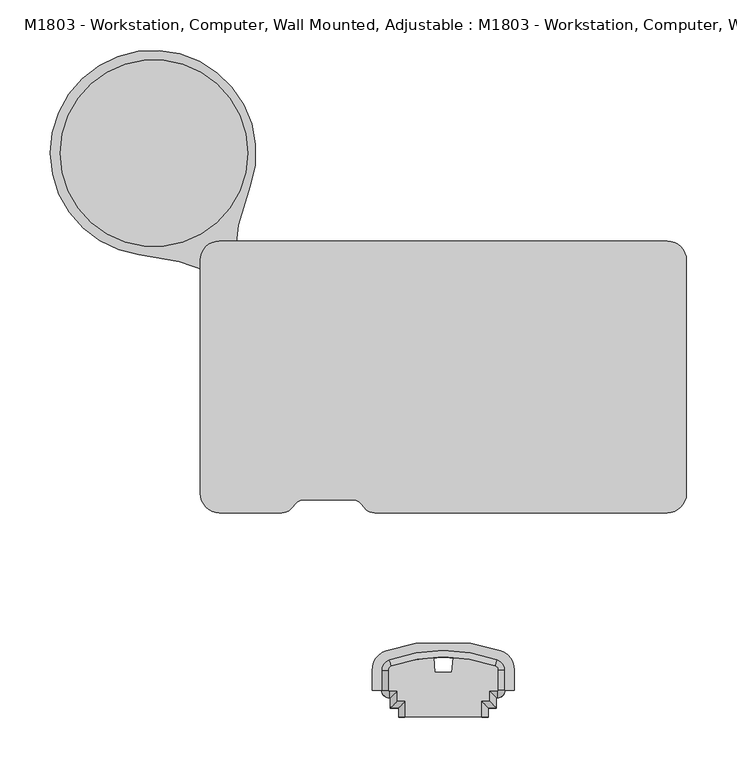
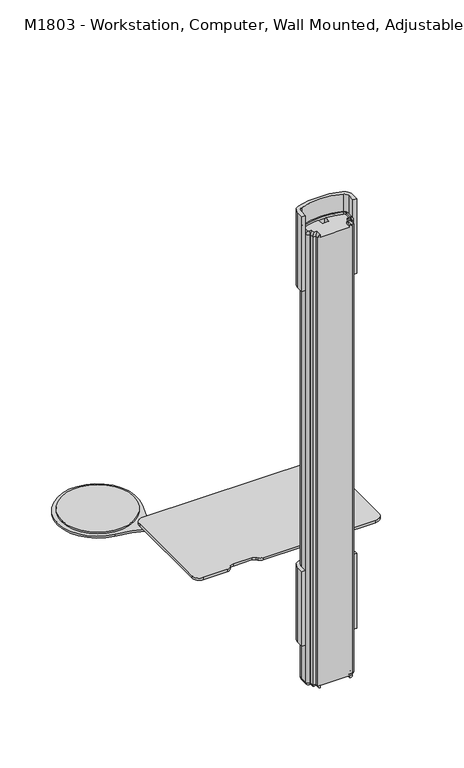
"""IFC4 building model written with IfcOpenShell, lengths in millimetres: proxy geometry, M1803 - Workstation, Computer, Wall Mounted, Adjustable : M1803 - Workstation, Computer, Wall Mounted, Adjustable."""

from ifc_helpers import new_model, si_unit, point, frame, frame_2d, origin, place, context, project, spatial, polyline, circle_curve, ellipse_curve, trimmed, segment, composite_curve, outline, extrude, source, transform, mapped, element, save
from ifc_brep_helpers import plane_surface, cylinder_surface, revolved_surface, advanced_brep


def m1803_workstation_computer_wall_mounted_adjustable_m1803_a1f7e397(model_context):
    return source(origin(), model_context, "Body", "SolidModel", [
        extrude(outline(composite_curve([segment(trimmed(circle_curve(frame_2d((-287.2195012, 622.177888)), 93.0177326), [point((-194.2017685, 622.177888))], [point((-380.2372338, 622.177888))], False, "CARTESIAN"), True, "CONTINUOUS"), segment(trimmed(circle_curve(frame_2d((-287.2195012, 622.177888)), 93.0177326), [point((-380.2372338, 622.177888))], [point((-194.2017685, 622.177888))], False, "CARTESIAN"), True, "CONTINUOUS")], self_intersect=False)), frame((0.0, 0.0, 834.3760164), z_axis=(0.0, 0.0, 1.0), x_axis=(1.0, 0.0, 0.0)), (0.0, 0.0, 1.0), 3.9493619),
        extrude(outline(composite_curve([segment(trimmed(circle_curve(frame_2d((-222.1881024, 515.8448436)), 15.0000298), [point((-207.1880726, 515.8448436))], [point((-237.1881322, 515.8448436))], False, "CARTESIAN"), True, "CONTINUOUS"), segment(trimmed(circle_curve(frame_2d((-222.1881024, 515.8448436)), 15.0000298), [point((-237.1881322, 515.8448436))], [point((-207.1880726, 515.8448436))], False, "CARTESIAN"), True, "CONTINUOUS")], self_intersect=False)), frame((0.0, 0.0, 834.3760164), z_axis=(0.0, 0.0, 1.0), x_axis=(1.0, 0.0, 0.0)), (0.0, 0.0, 1.0), 3.9493619),
        extrude(outline(composite_curve([segment(trimmed(circle_curve(frame_2d((-288.135143, 622.3958979)), 101.9666983), [point((-302.2106684, 521.405368))], [point((-191.4698241, 589.9455715))], False, "CARTESIAN"), True, "CONTINUOUS"), segment(trimmed(circle_curve(frame_2d((24.8108426, 502.8642952)), 233.1533304), [point((-191.4698241, 589.9455715))], [point((-208.221532, 510.3734813))], True, "CARTESIAN"), True, "CONTINUOUS"), segment(trimmed(circle_curve(frame_2d((-222.1881024, 515.8448436)), 15.0000298), [point((-208.221532, 510.3734813))], [point((-223.5211648, 500.9041662))], False, "CARTESIAN"), True, "CONTINUOUS"), segment(trimmed(circle_curve(frame_2d((-320.7471241, 288.9900602)), 233.1533304), [point((-223.5211648, 500.9041662))], [point((-302.2106684, 521.405368))], True, "CARTESIAN"), True, "CONTINUOUS")], self_intersect=False)), frame((0.0, 0.0, 829.3759946), z_axis=(0.0, 0.0, 1.0), x_axis=(1.0, 0.0, 0.0)), (0.0, 0.0, 1.0), 5.0000218),
        extrude(outline(composite_curve([segment(polyline([(222.3109287, 265.020328), (-68.2008446, 265.020328)]), True, "CONTINUOUS"), segment(trimmed(circle_curve(frame_2d((-68.2008446, 277.4875133)), 12.4671853), [point((-68.2008446, 265.020328))], [point((-78.2870094, 270.1594857))], False, "CARTESIAN"), True, "CONTINUOUS"), segment(polyline([(-78.2870094, 270.1594857), (-81.4034178, 273.8906525)]), True, "CONTINUOUS"), segment(trimmed(circle_curve(frame_2d((-90.4257962, 265.1778429)), 12.542582), [point((-81.4034178, 273.8906525))], [point((-90.4257962, 277.7204249))], True, "CARTESIAN"), True, "CONTINUOUS"), segment(polyline([(-90.4257962, 277.7204249), (-138.0507962, 277.7204249)]), True, "CONTINUOUS"), segment(trimmed(circle_curve(frame_2d((-138.0507962, 265.1778429)), 12.542582), [point((-138.0507962, 277.7204249))], [point((-147.0731746, 273.8906525))], True, "CARTESIAN"), True, "CONTINUOUS"), segment(polyline([(-147.0731746, 273.8906525), (-150.189583, 270.1594857)]), True, "CONTINUOUS"), segment(trimmed(circle_curve(frame_2d((-160.2757478, 277.4875133)), 12.4671853), [point((-150.189583, 270.1594857))], [point((-160.2757478, 265.020328))], False, "CARTESIAN"), True, "CONTINUOUS"), segment(polyline([(-160.2757478, 265.020328), (-222.1881024, 265.020328)]), True, "CONTINUOUS"), segment(trimmed(circle_curve(frame_2d((-222.1881024, 284.070328)), 19.05), [point((-222.1881024, 265.020328))], [point((-241.2381024, 284.070328))], False, "CARTESIAN"), True, "CONTINUOUS"), segment(polyline([(-241.2381024, 284.070328), (-241.2381024, 515.8448436)]), True, "CONTINUOUS"), segment(trimmed(circle_curve(frame_2d((-222.1881024, 515.8448436)), 19.05), [point((-241.2381024, 515.8448436))], [point((-222.1881024, 534.8948436))], False, "CARTESIAN"), True, "CONTINUOUS"), segment(polyline([(-222.1881024, 534.8948436), (222.3109287, 534.8948436)]), True, "CONTINUOUS"), segment(trimmed(circle_curve(frame_2d((222.3109287, 515.8448436)), 19.05), [point((222.3109287, 534.8948436))], [point((241.3609287, 515.8448436))], False, "CARTESIAN"), True, "CONTINUOUS"), segment(polyline([(241.3609287, 515.8448436), (241.3609287, 284.070328)]), True, "CONTINUOUS"), segment(trimmed(circle_curve(frame_2d((222.3109287, 284.070328)), 19.05), [point((241.3609287, 284.070328))], [point((222.3109287, 265.020328))], False, "CARTESIAN"), True, "CONTINUOUS")], self_intersect=False)), frame((0.0, 0.0, 838.3253784), z_axis=(0.0, 0.0, 1.0), x_axis=(1.0, 0.0, 0.0)), (0.0, 0.0, 1.0), 6.4005877),
        advanced_brep(
        [(38.1, 61.9125, 603.25), (44.45, 61.9125, 609.6), (38.1, 61.9125, 609.6), (38.1, 77.2411812, 603.25), (44.45, 70.8911812, 609.6), (52.5364107, 70.8911812, 609.6), (52.5364107, 81.0234047, 609.6), (53.7370305, 81.0234047, 609.6), (61.1222253, 88.4085995, 609.6), (61.1222253, 108.2851132, 609.6), (53.6811785, 118.7735872, 609.6), (-53.696373, 118.6957894, 609.6), (-61.1222253, 108.2126465, 609.6), (-61.1222253, 88.4085995, 609.6), (-53.7370305, 81.0234047, 609.6), (-52.5364107, 81.0234047, 609.6), (-52.5364107, 70.8911812, 609.6), (-44.45, 70.8911812, 609.6), (-44.45, 61.9125, 609.6), (-38.1, 61.9125, 609.6), (-38.1, 77.2411812, 609.6), (-46.1864107, 77.2411812, 609.6), (-46.1864107, 87.3734047, 609.6), (-53.7370305, 87.3734047, 609.6), (-54.7722253, 88.4085995, 609.6), (-54.7722253, 108.2126465, 609.6), (-51.5897172, 112.705422, 609.6), (51.5832052, 112.7801735, 609.6), (54.7722253, 108.2851132, 609.6), (54.7722253, 88.4085995, 609.6), (53.7370305, 87.3734047, 609.6), (46.1864107, 87.3734047, 609.6), (46.1864107, 77.2411812, 609.6), (38.1, 77.2411812, 609.6), (46.1864107, 77.2411812, 603.25), (46.1864107, 87.3734047, 603.25), (53.7370305, 87.3734047, 603.25), (54.7722253, 88.4085995, 603.25), (54.7722253, 108.2851132, 603.25), (51.5832052, 112.7801735, 603.25), (-51.5897172, 112.705422, 603.25), (-54.7722253, 108.2126465, 603.25), (-54.7722253, 88.4085995, 603.25), (-53.7370305, 87.3734047, 603.25), (-46.1864107, 87.3734047, 603.25), (-46.1864107, 77.2411812, 603.25), (-38.1, 77.2411812, 603.25), (-38.1, 61.9125, 603.25)],
        [
            (0, 1, circle_curve(frame((38.1, 61.9125, 609.6), z_axis=(0.0, -1.0, 0.0), x_axis=(-1.0, 0.0, 0.0)), 6.35)),
            (1, 2),
            (2, 0),
            (0, 3),
            (3, 4, ellipse_curve(frame((38.1, 77.2411812, 609.6), z_axis=(-0.7071067811865475, -0.7071067811865475, 0.0), x_axis=(0.7071067811865474, -0.7071067811865476, 0.0)), 8.9802561, 6.35)),
            (4, 1),
            (4, 5),
            (5, 6),
            (6, 7),
            (7, 8, circle_curve(frame((53.7370305, 88.4085995, 609.6), z_axis=(0.0, 0.0, 1.0), x_axis=(0.0, -1.0, 0.0)), 7.3851948)),
            (8, 9),
            (9, 10, circle_curve(frame((50.0097253, 108.2851132, 609.6), z_axis=(0.0, 0.0, 1.0), x_axis=(1.0, 0.0, 0.0)), 11.1125)),
            (10, 11, circle_curve(frame((0.1032701, -34.2858315, 609.6), z_axis=(0.0, 0.0, 1.0), x_axis=(0.33038949403978657, 0.9438446811992606, 0.0)), 162.1658963)),
            (11, 12, circle_curve(frame((-50.0097253, 108.2126465, 609.6), z_axis=(0.0, 0.0, 1.0), x_axis=(-0.33175682647524884, 0.943364938974876, 0.0)), 11.1125)),
            (12, 13),
            (13, 14, circle_curve(frame((-53.7370305, 88.4085995, 609.6), z_axis=(0.0, 0.0, 1.0), x_axis=(-1.0, 0.0, 0.0)), 7.3851948)),
            (14, 15),
            (15, 16),
            (16, 17),
            (17, 18),
            (18, 19),
            (19, 20),
            (20, 21),
            (21, 22),
            (22, 23),
            (23, 24, circle_curve(frame((-53.7370305, 88.4085995, 609.6), z_axis=(0.0, 0.0, -1.0), x_axis=(-1.0, 0.0, 0.0)), 1.0351948)),
            (24, 25),
            (25, 26, circle_curve(frame((-50.0097253, 108.2126465, 609.6), z_axis=(0.0, 0.0, -1.0), x_axis=(-0.33175682647524884, 0.943364938974876, 0.0)), 4.7625)),
            (26, 27, circle_curve(frame((0.1032701, -34.2858315, 609.6), z_axis=(0.0, 0.0, -1.0), x_axis=(0.33038949403978657, 0.9438446811992606, 0.0)), 155.8158963)),
            (27, 28, circle_curve(frame((50.0097253, 108.2851132, 609.6), z_axis=(0.0, 0.0, -1.0), x_axis=(1.0, 0.0, 0.0)), 4.7625)),
            (28, 29),
            (29, 30, circle_curve(frame((53.7370305, 88.4085995, 609.6), z_axis=(0.0, 0.0, -1.0), x_axis=(0.0, -1.0, 0.0)), 1.0351948)),
            (30, 31),
            (31, 32),
            (32, 33),
            (33, 2),
            (33, 3),
            (3, 34),
            (34, 5, ellipse_curve(frame((46.1864107, 77.2411812, 609.6), z_axis=(-0.7071067811865475, -0.7071067811865475, 0.0), x_axis=(-0.7071067811865477, 0.7071067811865474, 0.0)), 8.9802561, 6.35)),
            (32, 34),
            (34, 35),
            (35, 6, ellipse_curve(frame((46.1864107, 87.3734047, 609.6), z_axis=(-0.7071067811865475, -0.7071067811865475, 0.0), x_axis=(0.7071067811865474, -0.7071067811865476, 0.0)), 8.9802561, 6.35)),
            (31, 35),
            (35, 36),
            (36, 7, circle_curve(frame((53.7370305, 87.3734047, 609.6), z_axis=(-1.0, 0.0, 0.0), x_axis=(0.0, 1.0, 0.0)), 6.35)),
            (30, 36),
            (36, 37, circle_curve(frame((53.7370305, 88.4085995, 603.25), z_axis=(0.0, 0.0, 1.0), x_axis=(0.0, -1.0, 0.0)), 1.0351948)),
            (37, 8, circle_curve(frame((54.7722253, 88.4085995, 609.6), z_axis=(0.0, -1.0, 0.0), x_axis=(-1.0, 0.0, 0.0)), 6.35)),
            (29, 37),
            (37, 38),
            (38, 9, circle_curve(frame((54.7722253, 108.2851132, 609.6), z_axis=(0.0, -1.0, 0.0), x_axis=(-1.0, 0.0, 0.0)), 6.35)),
            (28, 38),
            (38, 39, circle_curve(frame((50.0097253, 108.2851132, 603.25), z_axis=(0.0, 0.0, 1.0), x_axis=(1.0, 0.0, 0.0)), 4.7625)),
            (39, 10, circle_curve(frame((51.5832052, 112.7801735, 609.6), z_axis=(0.9438446811992502, -0.33038949403981605, 0.0), x_axis=(-0.33038949403981605, -0.9438446811992502, 0.0)), 6.35)),
            (27, 39),
            (39, 40, circle_curve(frame((0.1032701, -34.2858315, 603.25), z_axis=(0.0, 0.0, 1.0), x_axis=(0.33038949403978657, 0.9438446811992606, 0.0)), 155.8158963)),
            (40, 11, circle_curve(frame((-51.5897172, 112.705422, 609.6), z_axis=(0.943364938974875, 0.33175682647525195, 0.0), x_axis=(0.33175682647525195, -0.943364938974875, 0.0)), 6.35)),
            (26, 40),
            (40, 41, circle_curve(frame((-50.0097253, 108.2126465, 603.25), z_axis=(0.0, 0.0, 1.0), x_axis=(-0.33175682647524884, 0.943364938974876, 0.0)), 4.7625)),
            (41, 12, circle_curve(frame((-54.7722253, 108.2126465, 609.6), z_axis=(0.0, 1.0, 0.0), x_axis=(1.0, 0.0, 0.0)), 6.35)),
            (25, 41),
            (41, 42),
            (42, 13, circle_curve(frame((-54.7722253, 88.4085995, 609.6), z_axis=(0.0, 1.0, 0.0), x_axis=(1.0, 0.0, 0.0)), 6.35)),
            (24, 42),
            (42, 43, circle_curve(frame((-53.7370305, 88.4085995, 603.25), z_axis=(0.0, 0.0, 1.0), x_axis=(-1.0, 0.0, 0.0)), 1.0351948)),
            (43, 14, circle_curve(frame((-53.7370305, 87.3734047, 609.6), z_axis=(-1.0, 0.0, 0.0), x_axis=(0.0, 1.0, 0.0)), 6.35)),
            (23, 43),
            (43, 44),
            (44, 15, ellipse_curve(frame((-46.1864107, 87.3734047, 609.6), z_axis=(-0.7071067811865477, 0.7071067811865474, 0.0), x_axis=(-0.7071067811865474, -0.7071067811865476, 0.0)), 8.9802561, 6.35)),
            (22, 44),
            (44, 45),
            (45, 16, ellipse_curve(frame((-46.1864107, 77.2411812, 609.6), z_axis=(-0.7071067811865477, 0.7071067811865474, 0.0), x_axis=(0.7071067811865474, 0.7071067811865477, 0.0)), 8.9802561, 6.35)),
            (21, 45),
            (45, 46),
            (46, 17, ellipse_curve(frame((-38.1, 77.2411812, 609.6), z_axis=(-0.7071067811865477, 0.7071067811865474, 0.0), x_axis=(-0.7071067811865474, -0.7071067811865476, 0.0)), 8.9802561, 6.35)),
            (20, 46),
            (47, 19),
            (18, 47, circle_curve(frame((-38.1, 61.9125, 609.6), z_axis=(0.0, -1.0, 0.0), x_axis=(1.0, 0.0, 0.0)), 6.35)),
            (46, 47),
        ],
        [
            plane_surface(frame((44.45, 61.9125, 609.6), z_axis=(0.0, -1.0, 0.0), x_axis=(0.0, 0.0, 1.0))),
            cylinder_surface(frame((38.1, 61.9125, 609.6), z_axis=(0.0, -1.0, 0.0), x_axis=(-1.0, 0.0, 0.0)), 6.35),
            plane_surface(frame((44.45, 61.9125, 609.6), z_axis=(0.0, 0.0, 1.0), x_axis=(0.0, 1.0, 0.0))),
            plane_surface(frame((38.1, 61.9125, 609.6), z_axis=(-1.0, 0.0, 0.0), x_axis=(0.0, 1.0, 0.0))),
            cylinder_surface(frame((44.45, 77.2411812, 609.6), z_axis=(-1.0, 0.0, 0.0), x_axis=(0.0, 1.0, 0.0)), 6.35),
            plane_surface(frame((38.1, 77.2411812, 609.6), z_axis=(0.0, 1.0, 0.0), x_axis=(1.0, 0.0, 0.0))),
            cylinder_surface(frame((46.1864107, 70.8911812, 609.6), z_axis=(0.0, -1.0, 0.0), x_axis=(-1.0, 0.0, 0.0)), 6.35),
            plane_surface(frame((46.1864107, 77.2411812, 609.6), z_axis=(-1.0, 0.0, 0.0), x_axis=(0.0, 1.0, 0.0))),
            cylinder_surface(frame((52.5364107, 87.3734047, 609.6), z_axis=(-1.0, 0.0, 0.0), x_axis=(0.0, 1.0, 0.0)), 6.35),
            plane_surface(frame((46.1864107, 87.3734047, 609.6), z_axis=(0.0, 1.0, 0.0), x_axis=(1.0, 0.0, 0.0))),
            revolved_surface(trimmed(ellipse_curve(frame((53.7370305, 87.3734047, 609.6), z_axis=(-1.0, 0.0, 0.0), x_axis=(0.0, 1.0, 0.0)), 6.35, 6.35), [point((53.7370305, 87.3734047, 603.25))], [point((53.7370305, 81.0234047, 609.6))], True, "CARTESIAN"), (53.7370305, 88.4085995, 609.6), (0.0, 0.0, 1.0)),
            revolved_surface(polyline([(53.7370305, 87.3734047, 609.6), (53.7370305, 87.3734047, 603.25)]), (53.7370305, 88.4085995, 609.6), (0.0, 0.0, 1.0)),
            cylinder_surface(frame((54.7722253, 88.4085995, 609.6), z_axis=(0.0, -1.0, 0.0), x_axis=(-1.0, 0.0, 0.0)), 6.35),
            plane_surface(frame((54.7722253, 88.4085995, 609.6), z_axis=(-1.0, 0.0, 0.0), x_axis=(0.0, 1.0, 0.0))),
            revolved_surface(trimmed(ellipse_curve(frame((54.7722253, 108.2851132, 609.6), z_axis=(0.0, -1.0, 0.0), x_axis=(-1.0, 0.0, 0.0)), 6.35, 6.35), [point((54.7722253, 108.2851132, 603.25))], [point((61.1222253, 108.2851132, 609.6))], True, "CARTESIAN"), (50.0097253, 108.2851132, 609.6), (0.0, 0.0, 1.0)),
            revolved_surface(polyline([(54.7722253, 108.2851132, 609.6), (54.7722253, 108.2851132, 603.25)]), (50.0097253, 108.2851132, 609.6), (0.0, 0.0, 1.0)),
            revolved_surface(trimmed(ellipse_curve(frame((51.5832052, 112.7801735, 609.6), z_axis=(0.9438446811992606, -0.33038949403978646, 0.0), x_axis=(-0.33038949403978646, -0.9438446811992606, 0.0)), 6.35, 6.35), [point((51.5832052, 112.7801735, 603.25))], [point((53.6811785, 118.7735872, 609.6))], True, "CARTESIAN"), (0.1032701, -34.2858315, 609.6), (0.0, 0.0, 1.0)),
            revolved_surface(polyline([(51.58320524191285, 112.78017346905054, 609.6), (51.58320524191285, 112.78017346905054, 603.25)]), (0.1032701, -34.2858315, 609.6), (0.0, 0.0, 1.0)),
            revolved_surface(trimmed(ellipse_curve(frame((-51.5897172, 112.705422, 609.6), z_axis=(0.9433649389748759, 0.3317568264752491, 0.0), x_axis=(0.3317568264752491, -0.9433649389748759, 0.0)), 6.35, 6.35), [point((-51.5897172, 112.705422, 603.25))], [point((-53.696373, 118.6957894, 609.6))], True, "CARTESIAN"), (-50.0097253, 108.2126465, 609.6), (0.0, 0.0, 1.0)),
            revolved_surface(polyline([(-51.58971718608837, 112.70542202186785, 609.6), (-51.58971718608837, 112.70542202186785, 603.25)]), (-50.0097253, 108.2126465, 609.6), (0.0, 0.0, 1.0)),
            cylinder_surface(frame((-54.7722253, 108.2126465, 609.6), z_axis=(0.0, 1.0, 0.0), x_axis=(1.0, 0.0, 0.0)), 6.35),
            plane_surface(frame((-54.7722253, 108.2126465, 609.6), z_axis=(1.0, 0.0, 0.0), x_axis=(0.0, -1.0, 0.0))),
            revolved_surface(trimmed(ellipse_curve(frame((-54.7722253, 88.4085995, 609.6), z_axis=(0.0, 1.0, 0.0), x_axis=(1.0, 0.0, 0.0)), 6.35, 6.35), [point((-54.7722253, 88.4085995, 603.25))], [point((-61.1222253, 88.4085995, 609.6))], True, "CARTESIAN"), (-53.7370305, 88.4085995, 609.6), (0.0, 0.0, 1.0)),
            revolved_surface(polyline([(-54.7722253, 88.4085995, 609.6), (-54.7722253, 88.4085995, 603.25)]), (-53.7370305, 88.4085995, 609.6), (0.0, 0.0, 1.0)),
            cylinder_surface(frame((-53.7370305, 87.3734047, 609.6), z_axis=(-1.0, 0.0, 0.0), x_axis=(0.0, 1.0, 0.0)), 6.35),
            plane_surface(frame((-53.7370305, 87.3734047, 609.6), z_axis=(0.0, 1.0, 0.0), x_axis=(1.0, 0.0, 0.0))),
            cylinder_surface(frame((-46.1864107, 81.0234047, 609.6), z_axis=(0.0, 1.0, 0.0), x_axis=(1.0, 0.0, 0.0)), 6.35),
            plane_surface(frame((-46.1864107, 87.3734047, 609.6), z_axis=(1.0, 0.0, 0.0), x_axis=(0.0, -1.0, 0.0))),
            cylinder_surface(frame((-52.5364107, 77.2411812, 609.6), z_axis=(-1.0, 0.0, 0.0), x_axis=(0.0, 1.0, 0.0)), 6.35),
            plane_surface(frame((-46.1864107, 77.2411812, 609.6), z_axis=(0.0, 1.0, 0.0), x_axis=(1.0, 0.0, 0.0))),
            plane_surface(frame((-44.45, 61.9125, 609.6), z_axis=(0.0, -1.0, 0.0), x_axis=(0.0, 0.0, 1.0))),
            cylinder_surface(frame((-38.1, 70.8911812, 609.6), z_axis=(0.0, 1.0, 0.0), x_axis=(1.0, 0.0, 0.0)), 6.35),
            plane_surface(frame((-38.1, 77.2411812, 609.6), z_axis=(1.0, 0.0, 0.0), x_axis=(0.0, -1.0, 0.0))),
        ],
        [
            (0, [[1, 2, 3]]),
            (1, [[-1, 4, 5, 6]]),
            (2, [[-2, -6, 7, 8, 9, 10, 11, 12, 13, 14, 15, 16, 17, 18, 19, 20, 21, 22, 23, 24, 25, 26, 27, 28, 29, 30, 31, 32, 33, 34, 35, 36]]),
            (3, [[-3, -36, 37, -4]]),
            (4, [[-5, 38, 39, -7]]),
            (5, [[-37, -35, 40, -38]]),
            (6, [[-39, 41, 42, -8]]),
            (7, [[-40, -34, 43, -41]]),
            (8, [[-42, 44, 45, -9]]),
            (9, [[-43, -33, 46, -44]]),
            (10, [[-10, -45, 47, 48]]),
            (11, [[-47, -46, -32, 49]]),
            (12, [[-48, 50, 51, -11]]),
            (13, [[-49, -31, 52, -50]]),
            (14, [[-12, -51, 53, 54]]),
            (15, [[-53, -52, -30, 55]]),
            (16, [[-13, -54, 56, 57]]),
            (17, [[-56, -55, -29, 58]]),
            (18, [[-14, -57, 59, 60]]),
            (19, [[-59, -58, -28, 61]]),
            (20, [[-60, 62, 63, -15]]),
            (21, [[-61, -27, 64, -62]]),
            (22, [[-16, -63, 65, 66]]),
            (23, [[-65, -64, -26, 67]]),
            (24, [[-66, 68, 69, -17]]),
            (25, [[-67, -25, 70, -68]]),
            (26, [[-69, 71, 72, -18]]),
            (27, [[-70, -24, 73, -71]]),
            (28, [[-72, 74, 75, -19]]),
            (29, [[-73, -23, 76, -74]]),
            (30, [[77, -21, 78]]),
            (31, [[-75, 79, -78, -20]]),
            (32, [[-76, -22, -77, -79]]),
        ],
    ),
        extrude(outline(composite_curve([segment(polyline([(-70.6472253, 88.4085995), (-70.6472253, 108.2126465)]), True, "CONTINUOUS"), segment(trimmed(circle_curve(frame_2d((-50.0097253, 108.2126465)), 20.6375), [point((-70.6472253, 108.2126465))], [point((-56.8563568, 127.6813404))], False, "CARTESIAN"), True, "CONTINUOUS"), segment(trimmed(circle_curve(frame_2d((0.1032701, -34.2858315)), 171.6908963), [point((-56.8563568, 127.6813404))], [point((-27.2851562, 135.2064632))], False, "CARTESIAN"), True, "CONTINUOUS"), segment(polyline([(-27.2851562, 135.2064632), (27.4916965, 135.2064632)]), True, "CONTINUOUS"), segment(trimmed(circle_curve(frame_2d((0.1032701, -34.2858315)), 171.6908963), [point((27.4916965, 135.2064632))], [point((56.8281385, 127.7637078))], False, "CARTESIAN"), True, "CONTINUOUS"), segment(trimmed(circle_curve(frame_2d((50.0097253, 108.2851132)), 20.6375), [point((56.8281385, 127.7637078))], [point((70.6472253, 108.2851132))], False, "CARTESIAN"), True, "CONTINUOUS"), segment(polyline([(70.6472253, 108.2851132), (70.6472253, 88.4085995), (61.1222253, 88.4085995), (61.1222253, 108.2851132)]), True, "CONTINUOUS"), segment(trimmed(circle_curve(frame_2d((50.0097253, 108.2851132)), 11.1125), [point((61.1222253, 108.2851132))], [point((53.6811785, 118.7735872))], True, "CARTESIAN"), True, "CONTINUOUS"), segment(trimmed(circle_curve(frame_2d((0.1032701, -34.2858315)), 162.1658963), [point((53.6811785, 118.7735872))], [point((-53.696373, 118.6957894))], True, "CARTESIAN"), True, "CONTINUOUS"), segment(trimmed(circle_curve(frame_2d((-50.0097253, 108.2126465)), 11.1125), [point((-53.696373, 118.6957894))], [point((-61.1222253, 108.2126465))], True, "CARTESIAN"), True, "CONTINUOUS"), segment(polyline([(-61.1222253, 108.2126465), (-61.1222253, 88.4085995), (-70.6472253, 88.4085995)]), True, "CONTINUOUS")], self_intersect=False)), frame((0.0, 0.0, 1676.4), z_axis=(0.0, 0.0, 1.0), x_axis=(1.0, 0.0, 0.0)), (0.0, 0.0, 1.0), 203.2),
        advanced_brep(
        [(8.4283191, 106.0797942, 1828.8), (-8.2217789, 106.0797942, 1828.8), (-9.5473305, 121.2309182, 1828.8), (-51.5897172, 112.705422, 1828.8), (-54.7722253, 108.2126465, 1828.8), (-54.7722253, 88.4085995, 1828.8), (-53.7370305, 87.3734047, 1828.8), (-46.1864107, 87.3734047, 1828.8), (-46.1864107, 77.2411812, 1828.8), (-38.1, 77.2411812, 1828.8), (-38.1, 61.9125, 1828.8), (38.1, 61.9125, 1828.8), (38.1, 77.2411812, 1828.8), (46.1864107, 77.2411812, 1828.8), (46.1864107, 87.3734047, 1828.8), (53.7370305, 87.3734047, 1828.8), (54.7722253, 88.4085995, 1828.8), (54.7722253, 108.2851132, 1828.8), (51.5832052, 112.7801735, 1828.8), (9.7538707, 121.2309182, 1828.8), (-44.45, 70.8911812, 609.6), (-52.5364107, 70.8911812, 609.6), (-52.5364107, 81.0234047, 609.6), (-53.7370305, 81.0234047, 609.6), (-61.1222253, 88.4085995, 609.6), (-61.1222253, 108.2126465, 609.6), (-53.696373, 118.6957894, 609.6), (-10.1009396, 127.5586989, 609.6), (-8.2217789, 106.0797942, 609.6), (8.4283191, 106.0797942, 609.6), (10.3074798, 127.5586989, 609.6), (53.6811785, 118.7735872, 609.6), (61.1222253, 108.2851132, 609.6), (61.1222253, 88.4085995, 609.6), (53.7370305, 81.0234047, 609.6), (52.5364107, 81.0234047, 609.6), (52.5364107, 70.8911812, 609.6), (44.45, 70.8911812, 609.6), (44.45, 61.9125, 609.6), (-44.45, 61.9125, 609.6), (-44.45, 70.8911812, 1828.8), (-44.45, 61.9125, 1828.8), (44.45, 70.8911812, 1828.8), (44.45, 61.9125, 1828.8), (52.5364107, 70.8911812, 1828.8), (52.5364107, 81.0234047, 1828.8), (53.7370305, 81.0234047, 1828.8), (61.1222253, 88.4085995, 1828.8), (61.1222253, 108.2851132, 1828.8), (53.6811785, 118.7735872, 1828.8), (10.3074798, 127.5586989, 1828.8), (-10.1009396, 127.5586989, 1828.8), (-53.696373, 118.6957894, 1828.8), (-61.1222253, 108.2126465, 1828.8), (-61.1222253, 88.4085995, 1828.8), (-53.7370305, 81.0234047, 1828.8), (-52.5364107, 81.0234047, 1828.8), (-52.5364107, 70.8911812, 1828.8), (38.1, 61.9125, 1835.15), (-38.1, 61.9125, 1835.15), (38.1, 77.2411812, 1835.15), (46.1864107, 77.2411812, 1835.15), (46.1864107, 87.3734047, 1835.15), (53.7370305, 87.3734047, 1835.15), (54.7722253, 88.4085995, 1835.15), (54.7722253, 108.2851132, 1835.15), (51.5832052, 112.7801735, 1835.15), (-51.5897172, 112.705422, 1835.15), (-54.7722253, 108.2126465, 1835.15), (-54.7722253, 88.4085995, 1835.15), (-53.7370305, 87.3734047, 1835.15), (-46.1864107, 87.3734047, 1835.15), (-46.1864107, 77.2411812, 1835.15), (-38.1, 77.2411812, 1835.15)],
        [
            (0, 1),
            (1, 2),
            (2, 3, circle_curve(frame((0.1032701, -34.2858315, 1828.8), z_axis=(0.0, 0.0, 1.0), x_axis=(0.33038949403978657, 0.9438446811992606, 0.0)), 155.8158963)),
            (3, 4, circle_curve(frame((-50.0097253, 108.2126465, 1828.8), z_axis=(0.0, 0.0, 1.0), x_axis=(-0.33175682647524884, 0.943364938974876, 0.0)), 4.7625)),
            (4, 5),
            (5, 6, circle_curve(frame((-53.7370305, 88.4085995, 1828.8), z_axis=(0.0, 0.0, 1.0), x_axis=(-1.0, 0.0, 0.0)), 1.0351948)),
            (6, 7),
            (7, 8),
            (8, 9),
            (9, 10),
            (10, 11),
            (11, 12),
            (12, 13),
            (13, 14),
            (14, 15),
            (15, 16, circle_curve(frame((53.7370305, 88.4085995, 1828.8), z_axis=(0.0, 0.0, 1.0), x_axis=(0.0, -1.0, 0.0)), 1.0351948)),
            (16, 17),
            (17, 18, circle_curve(frame((50.0097253, 108.2851132, 1828.8), z_axis=(0.0, 0.0, 1.0), x_axis=(1.0, 0.0, 0.0)), 4.7625)),
            (18, 19, circle_curve(frame((0.1032701, -34.2858315, 1828.8), z_axis=(0.0, 0.0, 1.0), x_axis=(0.33038949403978657, 0.9438446811992606, 0.0)), 155.8158963)),
            (19, 0),
            (20, 21),
            (21, 22),
            (22, 23),
            (23, 24, circle_curve(frame((-53.7370305, 88.4085995, 609.6), z_axis=(0.0, 0.0, -1.0), x_axis=(1.0, 0.0, 0.0)), 7.3851948)),
            (24, 25),
            (25, 26, circle_curve(frame((-50.0097253, 108.2126465, 609.6), z_axis=(0.0, 0.0, -1.0), x_axis=(1.0, 0.0, 0.0)), 11.1125)),
            (26, 27, circle_curve(frame((0.1032701, -34.2858315, 609.6), z_axis=(0.0, 0.0, -1.0), x_axis=(1.0, 0.0, 0.0)), 162.1658963)),
            (27, 28),
            (28, 29),
            (29, 30),
            (30, 31, circle_curve(frame((0.1032701, -34.2858315, 609.6), z_axis=(0.0, 0.0, -1.0), x_axis=(1.0, 0.0, 0.0)), 162.1658963)),
            (31, 32, circle_curve(frame((50.0097253, 108.2851132, 609.6), z_axis=(0.0, 0.0, -1.0), x_axis=(1.0, 0.0, 0.0)), 11.1125)),
            (32, 33),
            (33, 34, circle_curve(frame((53.7370305, 88.4085995, 609.6), z_axis=(0.0, 0.0, -1.0), x_axis=(1.0, 0.0, 0.0)), 7.3851948)),
            (34, 35),
            (35, 36),
            (36, 37),
            (37, 38),
            (38, 39),
            (39, 20),
            (40, 20),
            (39, 41),
            (41, 40),
            (37, 42),
            (42, 43),
            (43, 38),
            (36, 44),
            (44, 42),
            (35, 45),
            (45, 44),
            (34, 46),
            (46, 45),
            (33, 47),
            (47, 46, circle_curve(frame((53.7370305, 88.4085995, 1828.8), z_axis=(0.0, 0.0, -1.0), x_axis=(1.0, 0.0, 0.0)), 7.3851948)),
            (32, 48),
            (48, 47),
            (31, 49),
            (49, 48, circle_curve(frame((50.0097253, 108.2851132, 1828.8), z_axis=(0.0, 0.0, -1.0), x_axis=(1.0, 0.0, 0.0)), 11.1125)),
            (30, 50),
            (50, 49, circle_curve(frame((0.1032701, -34.2858315, 1828.8), z_axis=(0.0, 0.0, -1.0), x_axis=(1.0, 0.0, 0.0)), 162.1658963)),
            (29, 0),
            (19, 50),
            (28, 1),
            (27, 51),
            (51, 2),
            (26, 52),
            (52, 51, circle_curve(frame((0.1032701, -34.2858315, 1828.8), z_axis=(0.0, 0.0, -1.0), x_axis=(1.0, 0.0, 0.0)), 162.1658963)),
            (25, 53),
            (53, 52, circle_curve(frame((-50.0097253, 108.2126465, 1828.8), z_axis=(0.0, 0.0, -1.0), x_axis=(1.0, 0.0, 0.0)), 11.1125)),
            (24, 54),
            (54, 53),
            (23, 55),
            (55, 54, circle_curve(frame((-53.7370305, 88.4085995, 1828.8), z_axis=(0.0, 0.0, -1.0), x_axis=(1.0, 0.0, 0.0)), 7.3851948)),
            (22, 56),
            (56, 55),
            (21, 57),
            (57, 56),
            (40, 57),
            (43, 58, circle_curve(frame((38.1, 61.9125, 1828.8), z_axis=(0.0, -1.0, 0.0), x_axis=(-1.0, 0.0, 0.0)), 6.35)),
            (58, 11),
            (10, 59),
            (59, 41, circle_curve(frame((-38.1, 61.9125, 1828.8), z_axis=(0.0, -1.0, 0.0), x_axis=(1.0, 0.0, 0.0)), 6.35)),
            (42, 60, ellipse_curve(frame((38.1, 77.2411812, 1828.8), z_axis=(-0.7071067811865475, -0.7071067811865475, 0.0), x_axis=(0.7071067811865474, -0.7071067811865476, 0.0)), 8.9802561, 6.35)),
            (60, 58),
            (60, 12),
            (51, 50, circle_curve(frame((0.1032701, -34.2858315, 1828.8), z_axis=(0.0, 0.0, -1.0), x_axis=(0.33038949403978657, 0.9438446811992606, 0.0)), 162.1658963)),
            (19, 2, circle_curve(frame((0.1032701, -34.2858315, 1828.8), z_axis=(0.0, 0.0, 1.0), x_axis=(0.33038949403978657, 0.9438446811992606, 0.0)), 155.8158963)),
            (44, 61, ellipse_curve(frame((46.1864107, 77.2411812, 1828.8), z_axis=(-0.7071067811865475, -0.7071067811865475, 0.0), x_axis=(-0.7071067811865477, 0.7071067811865474, 0.0)), 8.9802561, 6.35)),
            (61, 60),
            (61, 13),
            (45, 62, ellipse_curve(frame((46.1864107, 87.3734047, 1828.8), z_axis=(-0.7071067811865475, -0.7071067811865475, 0.0), x_axis=(0.7071067811865474, -0.7071067811865476, 0.0)), 8.9802561, 6.35)),
            (62, 61),
            (62, 14),
            (46, 63, circle_curve(frame((53.7370305, 87.3734047, 1828.8), z_axis=(-1.0, 0.0, 0.0), x_axis=(0.0, 1.0, 0.0)), 6.35)),
            (63, 62),
            (63, 15),
            (47, 64, circle_curve(frame((54.7722253, 88.4085995, 1828.8), z_axis=(0.0, -1.0, 0.0), x_axis=(-1.0, 0.0, 0.0)), 6.35)),
            (64, 63, circle_curve(frame((53.7370305, 88.4085995, 1835.15), z_axis=(0.0, 0.0, -1.0), x_axis=(0.0, -1.0, 0.0)), 1.0351948)),
            (64, 16),
            (48, 65, circle_curve(frame((54.7722253, 108.2851132, 1828.8), z_axis=(0.0, -1.0, 0.0), x_axis=(-1.0, 0.0, 0.0)), 6.35)),
            (65, 64),
            (65, 17),
            (49, 66, circle_curve(frame((51.5832052, 112.7801735, 1828.8), z_axis=(0.9438446811991084, -0.33038949404022133, 0.0), x_axis=(-0.33038949404022133, -0.9438446811991084, 0.0)), 6.35)),
            (66, 65, circle_curve(frame((50.0097253, 108.2851132, 1835.15), z_axis=(0.0, 0.0, -1.0), x_axis=(1.0, 0.0, 0.0)), 4.7625)),
            (66, 18),
            (52, 67, circle_curve(frame((-51.5897172, 112.705422, 1828.8), z_axis=(0.9433649389748623, 0.33175682647528804, 0.0), x_axis=(0.33175682647528804, -0.9433649389748623, 0.0)), 6.35)),
            (67, 66, circle_curve(frame((0.1032701, -34.2858315, 1835.15), z_axis=(0.0, 0.0, -1.0), x_axis=(0.33038949403978657, 0.9438446811992606, 0.0)), 155.8158963)),
            (67, 3),
            (53, 68, circle_curve(frame((-54.7722253, 108.2126465, 1828.8), z_axis=(0.0, 1.0, 0.0), x_axis=(1.0, 0.0, 0.0)), 6.35)),
            (68, 67, circle_curve(frame((-50.0097253, 108.2126465, 1835.15), z_axis=(0.0, 0.0, -1.0), x_axis=(-0.33175682647524884, 0.943364938974876, 0.0)), 4.7625)),
            (68, 4),
            (54, 69, circle_curve(frame((-54.7722253, 88.4085995, 1828.8), z_axis=(0.0, 1.0, 0.0), x_axis=(1.0, 0.0, 0.0)), 6.35)),
            (69, 68),
            (69, 5),
            (55, 70, circle_curve(frame((-53.7370305, 87.3734047, 1828.8), z_axis=(-1.0, 0.0, 0.0), x_axis=(0.0, 1.0, 0.0)), 6.35)),
            (70, 69, circle_curve(frame((-53.7370305, 88.4085995, 1835.15), z_axis=(0.0, 0.0, -1.0), x_axis=(-1.0, 0.0, 0.0)), 1.0351948)),
            (70, 6),
            (56, 71, ellipse_curve(frame((-46.1864107, 87.3734047, 1828.8), z_axis=(-0.7071067811865476, 0.7071067811865474, 0.0), x_axis=(-0.7071067811865476, -0.7071067811865475, 0.0)), 8.9802561, 6.35)),
            (71, 70),
            (71, 7),
            (57, 72, ellipse_curve(frame((-46.1864107, 77.2411812, 1828.8), z_axis=(-0.7071067811865476, 0.7071067811865474, 0.0), x_axis=(0.7071067811865474, 0.7071067811865477, 0.0)), 8.9802561, 6.35)),
            (72, 71),
            (72, 8),
            (40, 73, ellipse_curve(frame((-38.1, 77.2411812, 1828.8), z_axis=(-0.7071067811865476, 0.7071067811865474, 0.0), x_axis=(-0.7071067811865476, -0.7071067811865475, 0.0)), 8.9802561, 6.35)),
            (73, 72),
            (73, 9),
            (59, 73),
        ],
        [
            plane_surface(frame((-44.45, 70.8911812, 1828.8), z_axis=(0.0, 0.0, 1.0), x_axis=(0.0, -1.0, 0.0))),
            plane_surface(frame((-44.45, 70.8911812, 609.6), z_axis=(0.0, 0.0, -1.0), x_axis=(0.0, 1.0, 0.0))),
            plane_surface(frame((-44.45, 70.8911812, 1828.8), z_axis=(-1.0, 0.0, 0.0), x_axis=(0.0, 0.0, -1.0))),
            plane_surface(frame((44.45, 66.675, 1828.8), z_axis=(1.0, 0.0, 0.0), x_axis=(0.0, 0.0, -1.0))),
            plane_surface(frame((44.45, 70.8911812, 1828.8), z_axis=(0.0, -1.0, 0.0), x_axis=(0.0, 0.0, -1.0))),
            plane_surface(frame((52.5364107, 70.8911812, 1828.8), z_axis=(1.0, 0.0, 0.0), x_axis=(0.0, 0.0, -1.0))),
            plane_surface(frame((52.5364107, 81.0234047, 1828.8), z_axis=(0.0, -1.0, 0.0), x_axis=(0.0, 0.0, -1.0))),
            cylinder_surface(frame((53.7370305, 88.4085995, 609.6), z_axis=(0.0, 0.0, 1.0), x_axis=(1.0, 0.0, 0.0)), 7.3851948),
            plane_surface(frame((61.1222253, 88.4085995, 1828.8), z_axis=(1.0, 0.0, 0.0), x_axis=(0.0, 0.0, -1.0))),
            cylinder_surface(frame((50.0097253, 108.2851132, 609.6), z_axis=(0.0, 0.0, 1.0), x_axis=(1.0, 0.0, 0.0)), 11.1125),
            cylinder_surface(frame((0.1032701, -34.2858315, 609.6), z_axis=(0.0, 0.0, 1.0), x_axis=(1.0, 0.0, 0.0)), 162.1658963),
            plane_surface(frame((10.3074798, 127.5586989, 1828.8), z_axis=(-0.9961946980917323, 0.08715574274780909, 0.0), x_axis=(0.0, 0.0, -1.0))),
            plane_surface(frame((8.4283191, 106.0797942, 1828.8), z_axis=(0.0, 1.0, 0.0), x_axis=(0.0, 0.0, -1.0))),
            plane_surface(frame((-8.2217789, 106.0797942, 1828.8), z_axis=(0.9961946980917457, 0.08715574274765805, 0.0), x_axis=(0.0, 0.0, -1.0))),
            cylinder_surface(frame((-50.0097253, 108.2126465, 609.6), z_axis=(0.0, 0.0, 1.0), x_axis=(1.0, 0.0, 0.0)), 11.1125),
            plane_surface(frame((-61.1222253, 108.2126465, 1828.8), z_axis=(-1.0, 0.0, 0.0), x_axis=(0.0, 0.0, -1.0))),
            cylinder_surface(frame((-53.7370305, 88.4085995, 609.6), z_axis=(0.0, 0.0, 1.0), x_axis=(1.0, 0.0, 0.0)), 7.3851948),
            plane_surface(frame((-53.7370305, 81.0234047, 1828.8), z_axis=(0.0, -1.0, 0.0), x_axis=(0.0, 0.0, -1.0))),
            plane_surface(frame((-52.5364107, 81.0234047, 1828.8), z_axis=(-1.0, 0.0, 0.0), x_axis=(0.0, 0.0, -1.0))),
            plane_surface(frame((-52.5364107, 70.8911812, 1828.8), z_axis=(0.0, -1.0, 0.0), x_axis=(0.0, 0.0, -1.0))),
            plane_surface(frame((44.45, 61.9125, 609.6), z_axis=(0.0, -1.0, 0.0), x_axis=(1.0, 0.0, 0.0))),
            cylinder_surface(frame((38.1, 61.9125, 1828.8), z_axis=(0.0, -1.0, 0.0), x_axis=(-1.0, 0.0, 0.0)), 6.35),
            plane_surface(frame((38.1, 61.9125, 1835.15), z_axis=(-1.0, 0.0, 0.0), x_axis=(0.0, 1.0, 0.0))),
            plane_surface(frame((38.1, 61.9125, 1828.8), z_axis=(0.0, 0.0, -1.0), x_axis=(0.0, 1.0, 0.0))),
            cylinder_surface(frame((44.45, 77.2411812, 1828.8), z_axis=(-1.0, 0.0, 0.0), x_axis=(0.0, 1.0, 0.0)), 6.35),
            plane_surface(frame((38.1, 77.2411812, 1835.15), z_axis=(0.0, 1.0, 0.0), x_axis=(1.0, 0.0, 0.0))),
            cylinder_surface(frame((46.1864107, 70.8911812, 1828.8), z_axis=(0.0, -1.0, 0.0), x_axis=(-1.0, 0.0, 0.0)), 6.35),
            plane_surface(frame((46.1864107, 77.2411812, 1835.15), z_axis=(-1.0, 0.0, 0.0), x_axis=(0.0, 1.0, 0.0))),
            cylinder_surface(frame((52.5364107, 87.3734047, 1828.8), z_axis=(-1.0, 0.0, 0.0), x_axis=(0.0, 1.0, 0.0)), 6.35),
            plane_surface(frame((46.1864107, 87.3734047, 1835.15), z_axis=(0.0, 1.0, 0.0), x_axis=(1.0, 0.0, 0.0))),
            revolved_surface(trimmed(ellipse_curve(frame((53.7370305, 87.3734047, 1828.8), z_axis=(-1.0, 0.0, 0.0), x_axis=(0.0, 1.0, 0.0)), 6.35, 6.35), [point((53.7370305, 81.0234047, 1828.8))], [point((53.7370305, 87.3734047, 1835.15))], True, "CARTESIAN"), (53.7370305, 88.4085995, 1828.8), (0.0, 0.0, 1.0)),
            revolved_surface(polyline([(53.7370305, 87.3734047, 1835.15), (53.7370305, 87.3734047, 1828.8)]), (53.7370305, 88.4085995, 1828.8), (0.0, 0.0, 1.0)),
            cylinder_surface(frame((54.7722253, 88.4085995, 1828.8), z_axis=(0.0, -1.0, 0.0), x_axis=(-1.0, 0.0, 0.0)), 6.35),
            plane_surface(frame((54.7722253, 88.4085995, 1835.15), z_axis=(-1.0, 0.0, 0.0), x_axis=(0.0, 1.0, 0.0))),
            revolved_surface(trimmed(ellipse_curve(frame((54.7722253, 108.2851132, 1828.8), z_axis=(0.0, -1.0, 0.0), x_axis=(-1.0, 0.0, 0.0)), 6.35, 6.35), [point((61.1222253, 108.2851132, 1828.8))], [point((54.7722253, 108.2851132, 1835.15))], True, "CARTESIAN"), (50.0097253, 108.2851132, 1828.8), (0.0, 0.0, 1.0)),
            revolved_surface(polyline([(54.7722253, 108.2851132, 1835.15), (54.7722253, 108.2851132, 1828.8)]), (50.0097253, 108.2851132, 1828.8), (0.0, 0.0, 1.0)),
            revolved_surface(trimmed(ellipse_curve(frame((51.5832052, 112.7801735, 1828.8), z_axis=(0.9438446811992606, -0.33038949403978646, 0.0), x_axis=(-0.33038949403978646, -0.9438446811992606, 0.0)), 6.35, 6.35), [point((53.6811785, 118.7735872, 1828.8))], [point((51.5832052, 112.7801735, 1835.15))], True, "CARTESIAN"), (0.1032701, -34.2858315, 1828.8), (0.0, 0.0, 1.0)),
            revolved_surface(polyline([(51.58320524191285, 112.78017346905054, 1835.15), (51.58320524191285, 112.78017346905054, 1828.8)]), (0.1032701, -34.2858315, 1828.8), (0.0, 0.0, 1.0)),
            revolved_surface(trimmed(ellipse_curve(frame((-51.5897172, 112.705422, 1828.8), z_axis=(0.9433649389748759, 0.3317568264752491, 0.0), x_axis=(0.3317568264752491, -0.9433649389748759, 0.0)), 6.35, 6.35), [point((-53.696373, 118.6957894, 1828.8))], [point((-51.5897172, 112.705422, 1835.15))], True, "CARTESIAN"), (-50.0097253, 108.2126465, 1828.8), (0.0, 0.0, 1.0)),
            revolved_surface(polyline([(-51.58971718608837, 112.70542202186785, 1835.15), (-51.58971718608837, 112.70542202186785, 1828.8)]), (-50.0097253, 108.2126465, 1828.8), (0.0, 0.0, 1.0)),
            cylinder_surface(frame((-54.7722253, 108.2126465, 1828.8), z_axis=(0.0, 1.0, 0.0), x_axis=(1.0, 0.0, 0.0)), 6.35),
            plane_surface(frame((-54.7722253, 108.2126465, 1835.15), z_axis=(1.0, 0.0, 0.0), x_axis=(0.0, -1.0, 0.0))),
            revolved_surface(trimmed(ellipse_curve(frame((-54.7722253, 88.4085995, 1828.8), z_axis=(0.0, 1.0, 0.0), x_axis=(1.0, 0.0, 0.0)), 6.35, 6.35), [point((-61.1222253, 88.4085995, 1828.8))], [point((-54.7722253, 88.4085995, 1835.15))], True, "CARTESIAN"), (-53.7370305, 88.4085995, 1828.8), (0.0, 0.0, 1.0)),
            revolved_surface(polyline([(-54.7722253, 88.4085995, 1835.15), (-54.7722253, 88.4085995, 1828.8)]), (-53.7370305, 88.4085995, 1828.8), (0.0, 0.0, 1.0)),
            cylinder_surface(frame((-53.7370305, 87.3734047, 1828.8), z_axis=(-1.0, 0.0, 0.0), x_axis=(0.0, 1.0, 0.0)), 6.35),
            plane_surface(frame((-53.7370305, 87.3734047, 1835.15), z_axis=(0.0, 1.0, 0.0), x_axis=(1.0, 0.0, 0.0))),
            cylinder_surface(frame((-46.1864107, 81.0234047, 1828.8), z_axis=(0.0, 1.0, 0.0), x_axis=(1.0, 0.0, 0.0)), 6.35),
            plane_surface(frame((-46.1864107, 87.3734047, 1835.15), z_axis=(1.0, 0.0, 0.0), x_axis=(0.0, -1.0, 0.0))),
            cylinder_surface(frame((-52.5364107, 77.2411812, 1828.8), z_axis=(-1.0, 0.0, 0.0), x_axis=(0.0, 1.0, 0.0)), 6.35),
            plane_surface(frame((-46.1864107, 77.2411812, 1835.15), z_axis=(0.0, 1.0, 0.0), x_axis=(1.0, 0.0, 0.0))),
            cylinder_surface(frame((-38.1, 70.8911812, 1828.8), z_axis=(0.0, 1.0, 0.0), x_axis=(1.0, 0.0, 0.0)), 6.35),
            plane_surface(frame((-38.1, 77.2411812, 1835.15), z_axis=(1.0, 0.0, 0.0), x_axis=(0.0, -1.0, 0.0))),
        ],
        [
            (0, [[1, 2, 3, 4, 5, 6, 7, 8, 9, 10, 11, 12, 13, 14, 15, 16, 17, 18, 19, 20]]),
            (1, [[21, 22, 23, 24, 25, 26, 27, 28, 29, 30, 31, 32, 33, 34, 35, 36, 37, 38, 39, 40]]),
            (2, [[41, -40, 42, 43]]),
            (3, [[44, 45, 46, -38]]),
            (4, [[-37, 47, 48, -44]]),
            (5, [[-36, 49, 50, -47]]),
            (6, [[-35, 51, 52, -49]]),
            (7, [[-34, 53, 54, -51]]),
            (8, [[-33, 55, 56, -53]]),
            (9, [[-32, 57, 58, -55]]),
            (10, [[-31, 59, 60, -57]]),
            (11, [[-30, 61, -20, 62, -59]]),
            (12, [[-1, -61, -29, 63]]),
            (13, [[-28, 64, 65, -2, -63]]),
            (10, [[-27, 66, 67, -64]]),
            (14, [[-26, 68, 69, -66]]),
            (15, [[-25, 70, 71, -68]]),
            (16, [[-24, 72, 73, -70]]),
            (17, [[-23, 74, 75, -72]]),
            (18, [[-22, 76, 77, -74]]),
            (19, [[-21, -41, 78, -76]]),
            (20, [[-39, -46, 79, 80, -11, 81, 82, -42]]),
            (21, [[-79, -45, 83, 84]]),
            (22, [[-80, -84, 85, -12]]),
            (23, [[86, -62, 87, -65]]),
            (24, [[-83, -48, 88, 89]]),
            (25, [[-85, -89, 90, -13]]),
            (26, [[-88, -50, 91, 92]]),
            (27, [[-90, -92, 93, -14]]),
            (28, [[-91, -52, 94, 95]]),
            (29, [[-93, -95, 96, -15]]),
            (30, [[-94, -54, 97, 98]]),
            (31, [[-96, -98, 99, -16]]),
            (32, [[-97, -56, 100, 101]]),
            (33, [[-99, -101, 102, -17]]),
            (34, [[-100, -58, 103, 104]]),
            (35, [[-102, -104, 105, -18]]),
            (36, [[-103, -60, -86, -67, 106, 107]]),
            (37, [[-105, -107, 108, -3, -87, -19]]),
            (38, [[-106, -69, 109, 110]]),
            (39, [[-108, -110, 111, -4]]),
            (40, [[-109, -71, 112, 113]]),
            (41, [[-111, -113, 114, -5]]),
            (42, [[-112, -73, 115, 116]]),
            (43, [[-114, -116, 117, -6]]),
            (44, [[-115, -75, 118, 119]]),
            (45, [[-117, -119, 120, -7]]),
            (46, [[-118, -77, 121, 122]]),
            (47, [[-120, -122, 123, -8]]),
            (48, [[-121, -78, 124, 125]]),
            (49, [[-123, -125, 126, -9]]),
            (50, [[-124, -43, -82, 127]]),
            (51, [[-126, -127, -81, -10]]),
        ],
    ),
        extrude(outline(composite_curve([segment(polyline([(-70.6472253, 88.4085995), (-70.6472253, 108.2126465)]), True, "CONTINUOUS"), segment(trimmed(circle_curve(frame_2d((-50.0097253, 108.2126465)), 20.6375), [point((-70.6472253, 108.2126465))], [point((-56.8563568, 127.6813404))], False, "CARTESIAN"), True, "CONTINUOUS"), segment(trimmed(circle_curve(frame_2d((0.1032701, -34.2858315)), 171.6908963), [point((-56.8563568, 127.6813404))], [point((-27.2851563, 135.2064632))], False, "CARTESIAN"), True, "CONTINUOUS"), segment(polyline([(-27.2851563, 135.2064632), (27.4916965, 135.2064632)]), True, "CONTINUOUS"), segment(trimmed(circle_curve(frame_2d((0.1032701, -34.2858315)), 171.6908963), [point((27.4916965, 135.2064632))], [point((56.8281385, 127.7637078))], False, "CARTESIAN"), True, "CONTINUOUS"), segment(trimmed(circle_curve(frame_2d((50.0097253, 108.2851132)), 20.6375), [point((56.8281385, 127.7637078))], [point((70.6472253, 108.2851132))], False, "CARTESIAN"), True, "CONTINUOUS"), segment(polyline([(70.6472253, 108.2851132), (70.6472253, 88.4085995), (61.1222253, 88.4085995), (61.1222253, 108.2851132)]), True, "CONTINUOUS"), segment(trimmed(circle_curve(frame_2d((50.0097253, 108.2851132)), 11.1125), [point((61.1222253, 108.2851132))], [point((53.6811785, 118.7735872))], True, "CARTESIAN"), True, "CONTINUOUS"), segment(trimmed(circle_curve(frame_2d((0.1032701, -34.2858315)), 162.1658963), [point((53.6811785, 118.7735872))], [point((-53.696373, 118.6957894))], True, "CARTESIAN"), True, "CONTINUOUS"), segment(trimmed(circle_curve(frame_2d((-50.0097253, 108.2126465)), 11.1125), [point((-53.696373, 118.6957894))], [point((-61.1222253, 108.2126465))], True, "CARTESIAN"), True, "CONTINUOUS"), segment(polyline([(-61.1222253, 108.2126465), (-61.1222253, 88.4085995), (-70.6472253, 88.4085995)]), True, "CONTINUOUS")], self_intersect=False)), frame((0.0, 0.0, 711.2), z_axis=(0.0, 0.0, 1.0), x_axis=(1.0, 0.0, 0.0)), (0.0, 0.0, 1.0), 203.2),
    ])


if __name__ == "__main__":
    model = new_model("IFC4")
    model_context = context("Model", 3, world=origin())
    ifc_project = project(units=[si_unit("LENGTHUNIT", "METRE", prefix="MILLI")], contexts=[model_context])
    site = spatial("IfcSite", under=ifc_project)
    building = spatial("IfcBuilding", under=site)
    placement = place(None, origin())
    m1803_workstation_computer_wall_mounted_adjustable_m1803_shape = m1803_workstation_computer_wall_mounted_adjustable_m1803_a1f7e397(model_context)
    element("IfcBuildingElementProxy", 1, Name="M1803 - Workstation, Computer, Wall Mounted, Adjustable : M1803 - Workstation, Computer, Wall Mounted, Adjustable", ObjectType="M1803 - Workstation, Computer, Wall Mounted, Adjustable : M1803 - Workstation, Computer, Wall Mounted, Adjustable", at=placement, inside=building, context=model_context, shape_type="MappedRepresentation", body=[
        mapped(m1803_workstation_computer_wall_mounted_adjustable_m1803_shape, transform((0.0, 0.0, 0.0), x_axis=(1.0, 0.0, 0.0), y_axis=(0.0, 1.0, 0.0), z_axis=(0.0, 0.0, 1.0))),
    ])
    save(model, "model.ifc")
